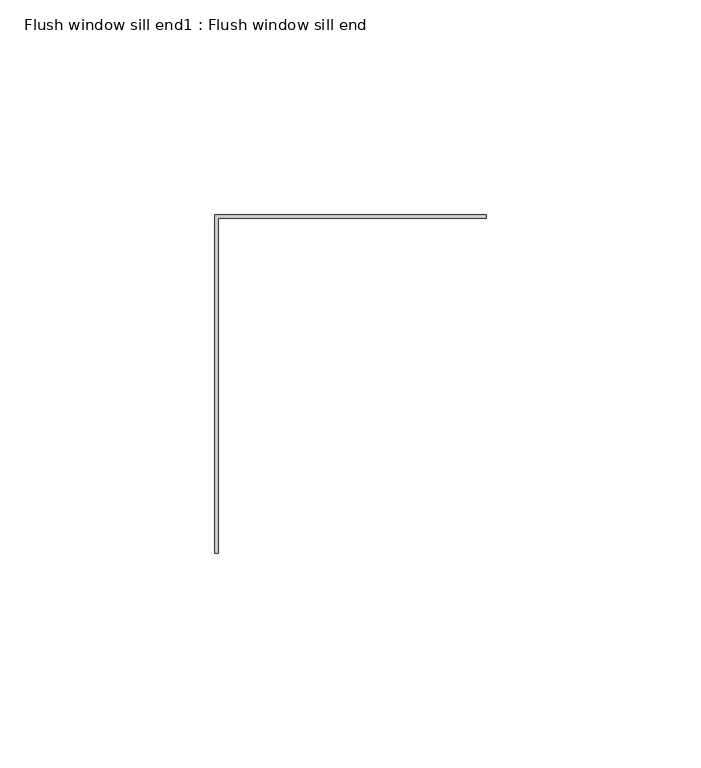
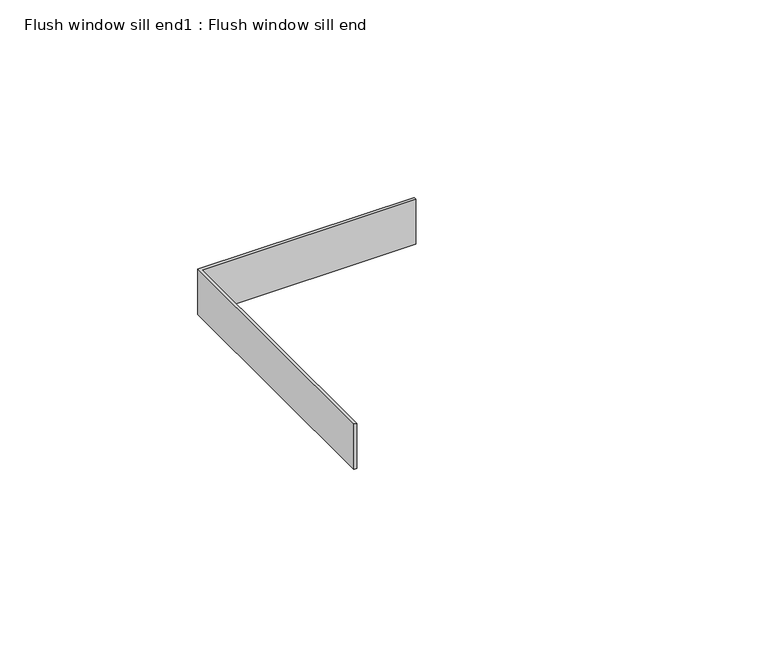
"""IFC4 building model written with IfcOpenShell, lengths in millimetres: proxy geometry, Flush window sill end1 : Flush window sill end."""

import ifcopenshell
import ifcopenshell.guid

model = None  # the IFC model being written
_history = None  # IfcOwnerHistory: only IFC2X3 demands one
_inside = {}  # id of a spatial element -> (the spatial element, [elements in it])
_under = {}  # id of a project, library or spatial element -> (it, [spatial elements below it])
_declared = {}  # id of a project -> (the project, [libraries it declares])
_typed = {}  # id of a type object -> (the type object, [elements of that type])
_made_of = {}  # id of a material, layer set ... -> (it, [elements and type objects made of it])


def new_model(schema):
    """Start an empty IFC model of exactly this schema.

    Asked for "IFC4X3", IfcOpenShell would pick the latest addendum, in which some entities
    have other attributes; the version numbers below select the first issue.
    IFC2X3 requires an IfcOwnerHistory on every rooted entity: one is made here for all.
    """
    global model, _history
    if schema == "IFC4X3":
        model = ifcopenshell.file(schema_version=(4, 3, 0, 0))
    else:
        model = ifcopenshell.file(schema=schema)
    _inside.clear()
    _under.clear()
    _declared.clear()
    _typed.clear()
    _made_of.clear()
    _history = None
    if model.schema == "IFC2X3":
        org = make("IfcOrganization", Name="unknown")
        user = make(
            "IfcPersonAndOrganization",
            ThePerson=make("IfcPerson", FamilyName="unknown"),
            TheOrganization=org,
        )
        app = make(
            "IfcApplication",
            ApplicationDeveloper=org,
            Version="unknown",
            ApplicationFullName="unknown",
            ApplicationIdentifier="unknown",
        )
        _history = make(
            "IfcOwnerHistory",
            OwningUser=user,
            OwningApplication=app,
            ChangeAction="ADDED",
            CreationDate=0,
        )
    return model


def make(cls, **values):
    """One entity of the class cls with the attributes given. An attribute that is None is left unset."""
    return model.create_entity(
        cls, **{name: value for name, value in values.items() if value is not None}
    )


def rooted(cls, **values):
    """An entity with a GlobalId (a new one), such as an element, a storey or a relation."""
    return make(cls, GlobalId=ifcopenshell.guid.new(), OwnerHistory=_history, **values)


def si_unit(unit_type, name, prefix=None):
    """IfcSIUnit, for example si_unit("LENGTHUNIT", "METRE", prefix="MILLI")."""
    return make("IfcSIUnit", UnitType=unit_type, Prefix=prefix, Name=name)


def assignment(units):
    """IfcUnitAssignment: the units of a project."""
    return None if units is None else make("IfcUnitAssignment", Units=units)


def point(xyz):
    """IfcCartesianPoint."""
    return None if xyz is None else make("IfcCartesianPoint", Coordinates=xyz)


def direction(xyz):
    """IfcDirection."""
    return None if xyz is None else make("IfcDirection", DirectionRatios=xyz)


def frame(location, z_axis=None, x_axis=None):
    """IfcAxis2Placement3D, a coordinate frame: its origin and axes. An axis left out is left unset."""
    return make(
        "IfcAxis2Placement3D",
        Location=point(location),
        Axis=direction(z_axis),
        RefDirection=direction(x_axis),
    )


def origin():
    """The frame at (0, 0, 0) with its axes left unset."""
    return frame((0.0, 0.0, 0.0))


def place(relative_to, where):
    """IfcLocalPlacement: puts the frame where relative to a parent placement (None: the world)."""
    return make(
        "IfcLocalPlacement", PlacementRelTo=relative_to, RelativePlacement=where
    )


def context(
    kind, dimensions, precision=None, world=None, true_north=None, identifier=None
):
    """IfcGeometricRepresentationContext, for example the 3D "Model" context."""
    return make(
        "IfcGeometricRepresentationContext",
        ContextIdentifier=identifier,
        ContextType=kind,
        CoordinateSpaceDimension=dimensions,
        Precision=precision,
        WorldCoordinateSystem=world,
        TrueNorth=true_north,
    )


def project(units=None, contexts=None):
    """IfcProject with its units and contexts."""
    return rooted(
        "IfcProject",
        Name="project",
        RepresentationContexts=contexts,
        UnitsInContext=assignment(units),
    )


def spatial(cls, under=None, at=None, **own):
    """A site, building, storey or space (cls), placed at a placement, below another one or the project."""
    s = rooted(cls, ObjectPlacement=at, **own)
    if under is not None:
        _under.setdefault(under.id(), (under, []))[1].append(s)
    return s


def polyline(points):
    """IfcPolyline through the points."""
    return make("IfcPolyline", Points=[point(p) for p in points])


def outline(outer, holes=None, kind="AREA"):
    """IfcArbitraryClosedProfileDef: a profile drawn as a closed curve; with holes, ...WithVoids."""
    if holes is None:
        return make("IfcArbitraryClosedProfileDef", ProfileType=kind, OuterCurve=outer)
    return make(
        "IfcArbitraryProfileDefWithVoids",
        ProfileType=kind,
        OuterCurve=outer,
        InnerCurves=holes,
    )


def extrude(swept, where, along, depth):
    """IfcExtrudedAreaSolid: the profile swept, set in the frame where, extruded along a direction by depth."""
    return make(
        "IfcExtrudedAreaSolid",
        SweptArea=swept,
        Position=where,
        ExtrudedDirection=direction(along),
        Depth=depth,
    )


def shape(context_of_items, identifier, shape_type, items):
    """IfcShapeRepresentation: the items that make up one representation, for example the "Body"."""
    return make(
        "IfcShapeRepresentation",
        ContextOfItems=context_of_items,
        RepresentationIdentifier=identifier,
        RepresentationType=shape_type,
        Items=items,
    )


def source(mapping_origin, context_of_items, identifier, shape_type, items):
    """IfcRepresentationMap: a shape defined once, which mapped items show again and again."""
    return make(
        "IfcRepresentationMap",
        MappingOrigin=mapping_origin,
        MappedRepresentation=shape(context_of_items, identifier, shape_type, items),
    )


def transform(
    local_origin,
    x_axis=None,
    y_axis=None,
    z_axis=None,
    scale=None,
    scale2=None,
    scale3=None,
    uniform=True,
):
    """IfcCartesianTransformationOperator3D, or its non-uniform kind. x_axis, y_axis, z_axis: its Axis1, 2, 3."""
    if uniform:
        return make(
            "IfcCartesianTransformationOperator3D",
            Axis1=direction(x_axis),
            Axis2=direction(y_axis),
            LocalOrigin=point(local_origin),
            Scale=scale,
            Axis3=direction(z_axis),
        )
    return make(
        "IfcCartesianTransformationOperator3DnonUniform",
        Axis1=direction(x_axis),
        Axis2=direction(y_axis),
        LocalOrigin=point(local_origin),
        Scale=scale,
        Axis3=direction(z_axis),
        Scale2=scale2,
        Scale3=scale3,
    )


def mapped(mapping_source, mapping_target):
    """IfcMappedItem: shows the shape of a source again, moved by a transform."""
    return make(
        "IfcMappedItem", MappingSource=mapping_source, MappingTarget=mapping_target
    )


def made_of(thing, what):
    """Note that an element or type object is made of a material, layer set ...; save() writes the relation."""
    if what is not None:
        _made_of.setdefault(what.id(), (what, []))[1].append(thing)
    return thing


def element(
    cls,
    number,
    at=None,
    inside=None,
    cuts=None,
    type_object=None,
    material=None,
    context=None,
    identifier="Body",
    shape_type=None,
    held_by="IfcProductDefinitionShape",
    body=None,
    shapes=None,
    **own,
):
    """One element of the class cls, such as IfcWall. Its Tag is "e" and its number.

    at: its placement. inside: the storey or other place that contains it. cuts: it is an
    opening in that element (IfcRelVoidsElement). A single representation is given by context,
    identifier, shape_type and body (its items); several are given by shapes. held_by: the class
    of the entity that holds the representations. save() writes the other relations.
    """
    e = rooted(cls, Tag="e%d" % number, ObjectPlacement=at, **own)
    if body is not None:
        shapes = [shape(context, identifier, shape_type, body)]
    if shapes is not None:
        e.Representation = make(held_by, Representations=shapes)
    if inside is not None:
        _inside.setdefault(inside.id(), (inside, []))[1].append(e)
    if cuts is not None:
        rooted(
            "IfcRelVoidsElement", RelatingBuildingElement=cuts, RelatedOpeningElement=e
        )
    if type_object is not None:
        _typed.setdefault(type_object.id(), (type_object, []))[1].append(e)
    return made_of(e, material)


def aggregate(whole, parts):
    """IfcRelAggregates: a whole, such as a stair, and the parts it consists of."""
    return rooted("IfcRelAggregates", RelatingObject=whole, RelatedObjects=parts)


def save(model, path):
    """Write the relations noted so far, then the file.

    IfcRelAggregates (storeys below a building ...), IfcRelContainedInSpatialStructure (elements
    in a storey), IfcRelDefinesByType, IfcRelAssociatesMaterial and IfcRelDeclares: one each for
    every whole, place, type object, material and project.
    """
    for whole, parts in _under.values():
        aggregate(whole, parts)
    for where, things in _inside.values():
        rooted(
            "IfcRelContainedInSpatialStructure",
            RelatedElements=things,
            RelatingStructure=where,
        )
    for kind, things in _typed.values():
        rooted("IfcRelDefinesByType", RelatedObjects=things, RelatingType=kind)
    for what, things in _made_of.values():
        rooted("IfcRelAssociatesMaterial", RelatedObjects=things, RelatingMaterial=what)
    for by, libraries in _declared.values():
        rooted("IfcRelDeclares", RelatingContext=by, RelatedDefinitions=libraries)
    model.write(path)


def flush_window_sill_end1_flush_window_sill_end_5b5838dc(model_context):
    return source(origin(), model_context, "Body", "SweptSolid", [
        extrude(outline(polyline([(16228.3060838, 5471.3615096), (16227.4791786, 5471.3615096), (16227.4791786, 5550.3594915), (16290.7910961, 5550.3594915), (16290.7910961, 5549.5325864), (16228.3060838, 5549.5325864), (16228.3060838, 5471.3615096)])), frame((0.0, 0.0, -885.662203), z_axis=(0.0, 0.0, 1.0), x_axis=(1.0, 0.0, 0.0)), (0.0, 0.0, 1.0), 13.9452881),
    ])


if __name__ == "__main__":
    model = new_model("IFC4")
    model_context = context("Model", 3, world=origin())
    ifc_project = project(units=[si_unit("LENGTHUNIT", "METRE", prefix="MILLI")], contexts=[model_context])
    site = spatial("IfcSite", under=ifc_project)
    building = spatial("IfcBuilding", under=site)
    placement = place(None, origin())
    flush_window_sill_end1_flush_window_sill_end_shape = flush_window_sill_end1_flush_window_sill_end_5b5838dc(model_context)
    element("IfcBuildingElementProxy", 1, Name="Flush window sill end1 : Flush window sill end", ObjectType="Flush window sill end1 : Flush window sill end", at=placement, inside=building, context=model_context, shape_type="MappedRepresentation", body=[
        mapped(flush_window_sill_end1_flush_window_sill_end_shape, transform((0.0, 0.0, 0.0), x_axis=(1.0, 0.0, 0.0), y_axis=(0.0, 1.0, 0.0), z_axis=(0.0, 0.0, 1.0))),
    ])
    save(model, "model.ifc")
